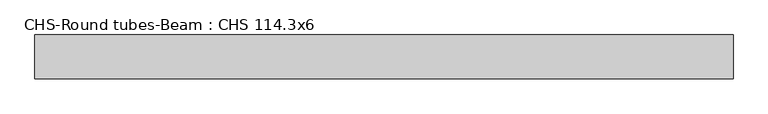
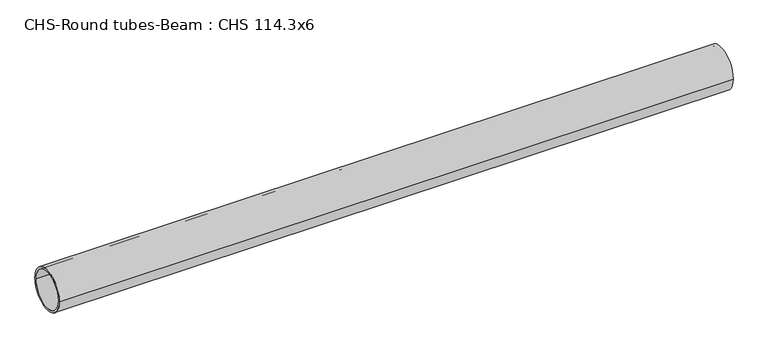
"""IFC4 building model written with IfcOpenShell, lengths in millimetres: beam geometry, CHS-Round tubes-Beam : CHS 114.3x6."""

from ifc_helpers import new_model, si_unit, point, frame, origin, origin_2d, place, context, project, spatial, circle_curve, trimmed, segment, composite_curve, outline, extrude, source, transform, mapped, element, save


def chs_round_tubes_beam_chs_114_3x6_ecd05d1b(model_context):
    return source(origin(), model_context, "Body", "SweptSolid", [
        extrude(outline(composite_curve([segment(trimmed(circle_curve(origin_2d(), 57.15), [point((57.15, 0.0))], [point((-57.15, 0.0))], False, "CARTESIAN"), True, "CONTINUOUS"), segment(trimmed(circle_curve(origin_2d(), 57.15), [point((-57.15, 0.0))], [point((57.15, 0.0))], False, "CARTESIAN"), True, "CONTINUOUS")], self_intersect=False), holes=[composite_curve([segment(trimmed(circle_curve(origin_2d(), 51.15), [point((51.15, 0.0))], [point((-51.15, 0.0))], True, "CARTESIAN"), True, "CONTINUOUS"), segment(trimmed(circle_curve(origin_2d(), 51.15), [point((-51.15, 0.0))], [point((51.15, 0.0))], True, "CARTESIAN"), True, "CONTINUOUS")], self_intersect=False)]), frame((-919.2553907, 0.0, 0.0), z_axis=(1.0, 0.0, 0.0), x_axis=(0.0, 1.0, 0.0)), (0.0, 0.0, 1.0), 1822.5678539),
    ])


if __name__ == "__main__":
    model = new_model("IFC4")
    model_context = context("Model", 3, world=origin())
    ifc_project = project(units=[si_unit("LENGTHUNIT", "METRE", prefix="MILLI")], contexts=[model_context])
    site = spatial("IfcSite", under=ifc_project)
    building = spatial("IfcBuilding", under=site)
    placement = place(None, origin())
    chs_round_tubes_beam_chs_114_3x6_shape = chs_round_tubes_beam_chs_114_3x6_ecd05d1b(model_context)
    element("IfcBeam", 1, ObjectType="CHS-Round tubes-Beam : CHS 114.3x6", at=placement, inside=building, context=model_context, shape_type="MappedRepresentation", body=[
        mapped(chs_round_tubes_beam_chs_114_3x6_shape, transform((0.0, 0.0, 0.0), x_axis=(1.0, 0.0, 0.0), y_axis=(0.0, 1.0, 0.0), z_axis=(0.0, 0.0, 1.0))),
    ])
    save(model, "model.ifc")
